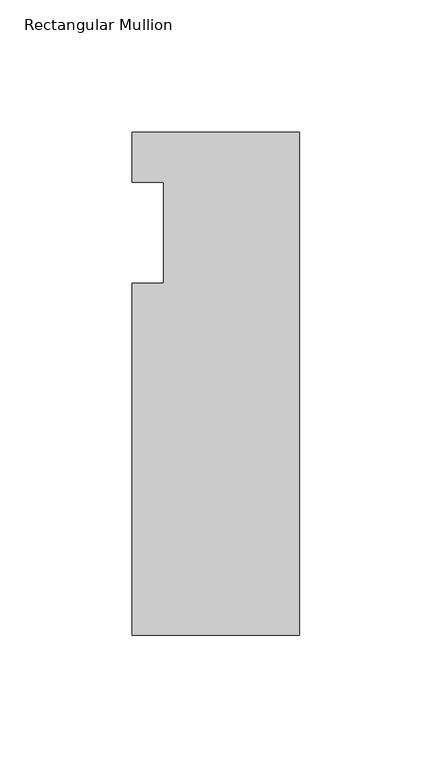
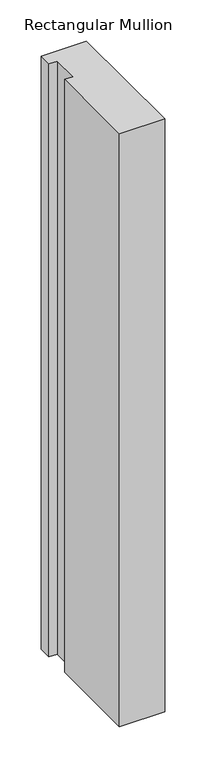
"""IFC4 building model written with IfcOpenShell, lengths in millimetres: member geometry, Rectangular Mullion."""

import ifcopenshell
import ifcopenshell.guid

model = None  # the IFC model being written
_history = None  # IfcOwnerHistory: only IFC2X3 demands one
_inside = {}  # id of a spatial element -> (the spatial element, [elements in it])
_under = {}  # id of a project, library or spatial element -> (it, [spatial elements below it])
_declared = {}  # id of a project -> (the project, [libraries it declares])
_typed = {}  # id of a type object -> (the type object, [elements of that type])
_made_of = {}  # id of a material, layer set ... -> (it, [elements and type objects made of it])


def new_model(schema):
    """Start an empty IFC model of exactly this schema.

    Asked for "IFC4X3", IfcOpenShell would pick the latest addendum, in which some entities
    have other attributes; the version numbers below select the first issue.
    IFC2X3 requires an IfcOwnerHistory on every rooted entity: one is made here for all.
    """
    global model, _history
    if schema == "IFC4X3":
        model = ifcopenshell.file(schema_version=(4, 3, 0, 0))
    else:
        model = ifcopenshell.file(schema=schema)
    _inside.clear()
    _under.clear()
    _declared.clear()
    _typed.clear()
    _made_of.clear()
    _history = None
    if model.schema == "IFC2X3":
        org = make("IfcOrganization", Name="unknown")
        user = make(
            "IfcPersonAndOrganization",
            ThePerson=make("IfcPerson", FamilyName="unknown"),
            TheOrganization=org,
        )
        app = make(
            "IfcApplication",
            ApplicationDeveloper=org,
            Version="unknown",
            ApplicationFullName="unknown",
            ApplicationIdentifier="unknown",
        )
        _history = make(
            "IfcOwnerHistory",
            OwningUser=user,
            OwningApplication=app,
            ChangeAction="ADDED",
            CreationDate=0,
        )
    return model


def make(cls, **values):
    """One entity of the class cls with the attributes given. An attribute that is None is left unset."""
    return model.create_entity(
        cls, **{name: value for name, value in values.items() if value is not None}
    )


def rooted(cls, **values):
    """An entity with a GlobalId (a new one), such as an element, a storey or a relation."""
    return make(cls, GlobalId=ifcopenshell.guid.new(), OwnerHistory=_history, **values)


def si_unit(unit_type, name, prefix=None):
    """IfcSIUnit, for example si_unit("LENGTHUNIT", "METRE", prefix="MILLI")."""
    return make("IfcSIUnit", UnitType=unit_type, Prefix=prefix, Name=name)


def assignment(units):
    """IfcUnitAssignment: the units of a project."""
    return None if units is None else make("IfcUnitAssignment", Units=units)


def point(xyz):
    """IfcCartesianPoint."""
    return None if xyz is None else make("IfcCartesianPoint", Coordinates=xyz)


def direction(xyz):
    """IfcDirection."""
    return None if xyz is None else make("IfcDirection", DirectionRatios=xyz)


def frame(location, z_axis=None, x_axis=None):
    """IfcAxis2Placement3D, a coordinate frame: its origin and axes. An axis left out is left unset."""
    return make(
        "IfcAxis2Placement3D",
        Location=point(location),
        Axis=direction(z_axis),
        RefDirection=direction(x_axis),
    )


def origin():
    """The frame at (0, 0, 0) with its axes left unset."""
    return frame((0.0, 0.0, 0.0))


def place(relative_to, where):
    """IfcLocalPlacement: puts the frame where relative to a parent placement (None: the world)."""
    return make(
        "IfcLocalPlacement", PlacementRelTo=relative_to, RelativePlacement=where
    )


def context(
    kind, dimensions, precision=None, world=None, true_north=None, identifier=None
):
    """IfcGeometricRepresentationContext, for example the 3D "Model" context."""
    return make(
        "IfcGeometricRepresentationContext",
        ContextIdentifier=identifier,
        ContextType=kind,
        CoordinateSpaceDimension=dimensions,
        Precision=precision,
        WorldCoordinateSystem=world,
        TrueNorth=true_north,
    )


def project(units=None, contexts=None):
    """IfcProject with its units and contexts."""
    return rooted(
        "IfcProject",
        Name="project",
        RepresentationContexts=contexts,
        UnitsInContext=assignment(units),
    )


def spatial(cls, under=None, at=None, **own):
    """A site, building, storey or space (cls), placed at a placement, below another one or the project."""
    s = rooted(cls, ObjectPlacement=at, **own)
    if under is not None:
        _under.setdefault(under.id(), (under, []))[1].append(s)
    return s


def polyline(points):
    """IfcPolyline through the points."""
    return make("IfcPolyline", Points=[point(p) for p in points])


def outline(outer, holes=None, kind="AREA"):
    """IfcArbitraryClosedProfileDef: a profile drawn as a closed curve; with holes, ...WithVoids."""
    if holes is None:
        return make("IfcArbitraryClosedProfileDef", ProfileType=kind, OuterCurve=outer)
    return make(
        "IfcArbitraryProfileDefWithVoids",
        ProfileType=kind,
        OuterCurve=outer,
        InnerCurves=holes,
    )


def extrude(swept, where, along, depth):
    """IfcExtrudedAreaSolid: the profile swept, set in the frame where, extruded along a direction by depth."""
    return make(
        "IfcExtrudedAreaSolid",
        SweptArea=swept,
        Position=where,
        ExtrudedDirection=direction(along),
        Depth=depth,
    )


def shape(context_of_items, identifier, shape_type, items):
    """IfcShapeRepresentation: the items that make up one representation, for example the "Body"."""
    return make(
        "IfcShapeRepresentation",
        ContextOfItems=context_of_items,
        RepresentationIdentifier=identifier,
        RepresentationType=shape_type,
        Items=items,
    )


def source(mapping_origin, context_of_items, identifier, shape_type, items):
    """IfcRepresentationMap: a shape defined once, which mapped items show again and again."""
    return make(
        "IfcRepresentationMap",
        MappingOrigin=mapping_origin,
        MappedRepresentation=shape(context_of_items, identifier, shape_type, items),
    )


def transform(
    local_origin,
    x_axis=None,
    y_axis=None,
    z_axis=None,
    scale=None,
    scale2=None,
    scale3=None,
    uniform=True,
):
    """IfcCartesianTransformationOperator3D, or its non-uniform kind. x_axis, y_axis, z_axis: its Axis1, 2, 3."""
    if uniform:
        return make(
            "IfcCartesianTransformationOperator3D",
            Axis1=direction(x_axis),
            Axis2=direction(y_axis),
            LocalOrigin=point(local_origin),
            Scale=scale,
            Axis3=direction(z_axis),
        )
    return make(
        "IfcCartesianTransformationOperator3DnonUniform",
        Axis1=direction(x_axis),
        Axis2=direction(y_axis),
        LocalOrigin=point(local_origin),
        Scale=scale,
        Axis3=direction(z_axis),
        Scale2=scale2,
        Scale3=scale3,
    )


def mapped(mapping_source, mapping_target):
    """IfcMappedItem: shows the shape of a source again, moved by a transform."""
    return make(
        "IfcMappedItem", MappingSource=mapping_source, MappingTarget=mapping_target
    )


def made_of(thing, what):
    """Note that an element or type object is made of a material, layer set ...; save() writes the relation."""
    if what is not None:
        _made_of.setdefault(what.id(), (what, []))[1].append(thing)
    return thing


def element(
    cls,
    number,
    at=None,
    inside=None,
    cuts=None,
    type_object=None,
    material=None,
    context=None,
    identifier="Body",
    shape_type=None,
    held_by="IfcProductDefinitionShape",
    body=None,
    shapes=None,
    **own,
):
    """One element of the class cls, such as IfcWall. Its Tag is "e" and its number.

    at: its placement. inside: the storey or other place that contains it. cuts: it is an
    opening in that element (IfcRelVoidsElement). A single representation is given by context,
    identifier, shape_type and body (its items); several are given by shapes. held_by: the class
    of the entity that holds the representations. save() writes the other relations.
    """
    e = rooted(cls, Tag="e%d" % number, ObjectPlacement=at, **own)
    if body is not None:
        shapes = [shape(context, identifier, shape_type, body)]
    if shapes is not None:
        e.Representation = make(held_by, Representations=shapes)
    if inside is not None:
        _inside.setdefault(inside.id(), (inside, []))[1].append(e)
    if cuts is not None:
        rooted(
            "IfcRelVoidsElement", RelatingBuildingElement=cuts, RelatedOpeningElement=e
        )
    if type_object is not None:
        _typed.setdefault(type_object.id(), (type_object, []))[1].append(e)
    return made_of(e, material)


def aggregate(whole, parts):
    """IfcRelAggregates: a whole, such as a stair, and the parts it consists of."""
    return rooted("IfcRelAggregates", RelatingObject=whole, RelatedObjects=parts)


def save(model, path):
    """Write the relations noted so far, then the file.

    IfcRelAggregates (storeys below a building ...), IfcRelContainedInSpatialStructure (elements
    in a storey), IfcRelDefinesByType, IfcRelAssociatesMaterial and IfcRelDeclares: one each for
    every whole, place, type object, material and project.
    """
    for whole, parts in _under.values():
        aggregate(whole, parts)
    for where, things in _inside.values():
        rooted(
            "IfcRelContainedInSpatialStructure",
            RelatedElements=things,
            RelatingStructure=where,
        )
    for kind, things in _typed.values():
        rooted("IfcRelDefinesByType", RelatedObjects=things, RelatingType=kind)
    for what, things in _made_of.values():
        rooted("IfcRelAssociatesMaterial", RelatedObjects=things, RelatingMaterial=what)
    for by, libraries in _declared.values():
        rooted("IfcRelDeclares", RelatingContext=by, RelatedDefinitions=libraries)
    model.write(path)


def rectangular_mullion_03d5a357(model_context):
    return source(origin(), model_context, "Body", "SweptSolid", [
        extrude(outline(polyline([(-63.5, -152.4), (-63.5, -19.0495158), (-51.5874, -19.0495158), (-51.5874, 19.0504842), (-63.5, 19.0504842), (-63.5, 38.1), (0.0, 38.1), (0.0, -152.4), (-63.5, -152.4)])), frame((0.0, 0.0, -881.0359795), z_axis=(0.0, 0.0, 1.0), x_axis=(1.0, 0.0, 0.0)), (0.0, 0.0, 1.0), 881.0359795),
    ])


if __name__ == "__main__":
    model = new_model("IFC4")
    model_context = context("Model", 3, world=origin())
    ifc_project = project(units=[si_unit("LENGTHUNIT", "METRE", prefix="MILLI")], contexts=[model_context])
    site = spatial("IfcSite", under=ifc_project)
    building = spatial("IfcBuilding", under=site)
    placement = place(None, origin())
    rectangular_mullion_shape = rectangular_mullion_03d5a357(model_context)
    element("IfcMember", 1, ObjectType="Rectangular Mullion", at=placement, inside=building, context=model_context, shape_type="MappedRepresentation", body=[
        mapped(rectangular_mullion_shape, transform((0.0, 0.0, 0.0), x_axis=(1.0, 0.0, 0.0), y_axis=(0.0, 1.0, 0.0), z_axis=(0.0, 0.0, 1.0))),
    ])
    save(model, "model.ifc")
